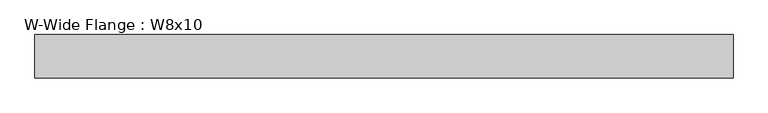
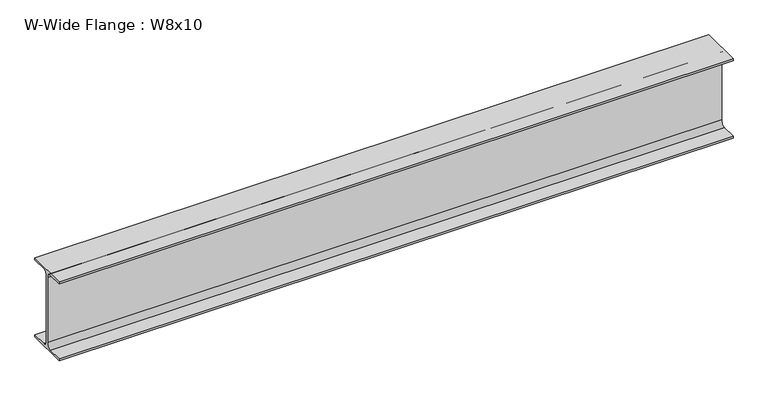
"""IFC4 building model written with IfcOpenShell, lengths in millimetres: beam geometry, W-Wide Flange : W8x10."""

from ifc_helpers import new_model, si_unit, point, frame, frame_2d, origin, place, context, project, spatial, polyline, circle_curve, trimmed, segment, composite_curve, outline, extrude, source, transform, mapped, element, save


def w_wide_flange_w8x10_e5ce9698(model_context):
    return source(origin(), model_context, "Body", "SweptSolid", [
        extrude(outline(composite_curve([segment(polyline([(50.038, -94.996), (50.038, -100.203), (-50.038, -100.203), (-50.038, -94.996), (-14.4145, -94.996)]), True, "CONTINUOUS"), segment(trimmed(circle_curve(frame_2d((-14.4145, -82.7405)), 12.2555), [point((-14.4145, -94.996))], [point((-2.159, -82.7405))], True, "CARTESIAN"), True, "CONTINUOUS"), segment(polyline([(-2.159, -82.7405), (-2.159, 82.7405)]), True, "CONTINUOUS"), segment(trimmed(circle_curve(frame_2d((-14.4145, 82.7405)), 12.2555), [point((-2.159, 82.7405))], [point((-14.4145, 94.996))], True, "CARTESIAN"), True, "CONTINUOUS"), segment(polyline([(-14.4145, 94.996), (-50.038, 94.996), (-50.038, 100.203), (50.038, 100.203), (50.038, 94.996), (14.4145, 94.996)]), True, "CONTINUOUS"), segment(trimmed(circle_curve(frame_2d((14.4145, 82.7405)), 12.2555), [point((14.4145, 94.996))], [point((2.159, 82.7405))], True, "CARTESIAN"), True, "CONTINUOUS"), segment(polyline([(2.159, 82.7405), (2.159, -82.7405)]), True, "CONTINUOUS"), segment(trimmed(circle_curve(frame_2d((14.4145, -82.7405)), 12.2555), [point((2.159, -82.7405))], [point((14.4145, -94.996))], True, "CARTESIAN"), True, "CONTINUOUS"), segment(polyline([(14.4145, -94.996), (50.038, -94.996)]), True, "CONTINUOUS")], self_intersect=False)), frame((-806.45, 0.0, 0.0), z_axis=(1.0, 0.0, 0.0), x_axis=(0.0, 1.0, 0.0)), (0.0, 0.0, 1.0), 1612.9),
    ])


if __name__ == "__main__":
    model = new_model("IFC4")
    model_context = context("Model", 3, world=origin())
    ifc_project = project(units=[si_unit("LENGTHUNIT", "METRE", prefix="MILLI")], contexts=[model_context])
    site = spatial("IfcSite", under=ifc_project)
    building = spatial("IfcBuilding", under=site)
    placement = place(None, origin())
    w_wide_flange_w8x10_shape = w_wide_flange_w8x10_e5ce9698(model_context)
    element("IfcBeam", 1, ObjectType="W-Wide Flange : W8x10", at=placement, inside=building, context=model_context, shape_type="MappedRepresentation", body=[
        mapped(w_wide_flange_w8x10_shape, transform((0.0, 0.0, 0.0), x_axis=(1.0, 0.0, 0.0), y_axis=(0.0, 1.0, 0.0), z_axis=(0.0, 0.0, 1.0))),
    ])
    save(model, "model.ifc")
